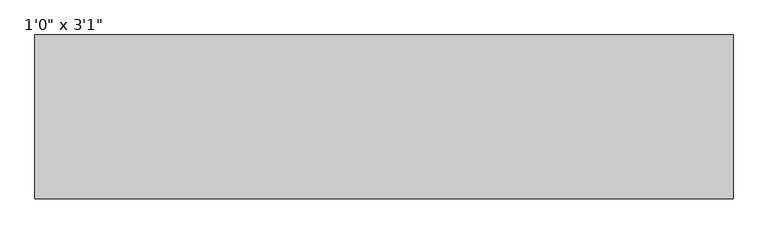
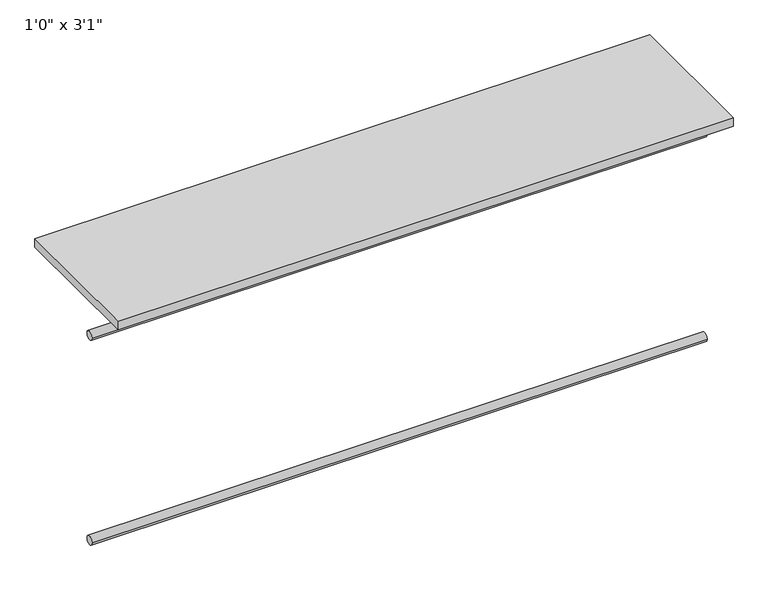
"""IFC4 building model written with IfcOpenShell, lengths in millimetres: furniture geometry."""

from ifc_helpers import new_model, si_unit, point, frame, frame_2d, origin, origin_with_axes, place, context, project, spatial, polyline, circle_curve, trimmed, segment, composite_curve, outline, extrude, source, transform, mapped, element, save


def furniture_7ad145a6(model_context):
    return source(origin(), model_context, "Body", "SweptSolid", [
        extrude(outline(composite_curve([segment(trimmed(circle_curve(frame_2d((342.9, -711.2)), 12.7), [point((330.2, -711.2))], [point((355.6, -711.2))], False, "CARTESIAN"), True, "CONTINUOUS"), segment(trimmed(circle_curve(frame_2d((342.9, -711.2)), 12.7), [point((355.6, -711.2))], [point((330.2, -711.2))], False, "CARTESIAN"), True, "CONTINUOUS")], self_intersect=False)), frame((-847.2622951, 0.0, 0.0), z_axis=(1.0, 0.0, 0.0), x_axis=(0.0, 1.0, 0.0)), (0.0, 0.0, 1.0), 1732.0),
        extrude(outline(composite_curve([segment(trimmed(circle_curve(frame_2d((342.9, -101.6)), 12.7), [point((330.2, -101.6))], [point((355.6, -101.6))], False, "CARTESIAN"), True, "CONTINUOUS"), segment(trimmed(circle_curve(frame_2d((342.9, -101.6)), 12.7), [point((355.6, -101.6))], [point((330.2, -101.6))], False, "CARTESIAN"), True, "CONTINUOUS")], self_intersect=False)), frame((-847.2622951, 0.0, 0.0), z_axis=(1.0, 0.0, 0.0), x_axis=(0.0, 1.0, 0.0)), (0.0, 0.0, 1.0), 1732.0),
        extrude(outline(polyline([(884.7377049, 203.2), (-847.2622951, 203.2), (-847.2622951, 609.6), (884.7377049, 609.6), (884.7377049, 203.2)])), origin_with_axes(), (0.0, 0.0, 1.0), 25.4),
    ])


if __name__ == "__main__":
    model = new_model("IFC4")
    model_context = context("Model", 3, world=origin())
    ifc_project = project(units=[si_unit("LENGTHUNIT", "METRE", prefix="MILLI")], contexts=[model_context])
    site = spatial("IfcSite", under=ifc_project)
    building = spatial("IfcBuilding", under=site)
    placement = place(None, origin())
    furniture_shape = furniture_7ad145a6(model_context)
    element("IfcFurniture", 1, ObjectType="1'0\" x 3'1\"", at=placement, inside=building, context=model_context, shape_type="MappedRepresentation", body=[
        mapped(furniture_shape, transform((0.0, 0.0, 0.0), x_axis=(1.0, 0.0, 0.0), y_axis=(0.0, 1.0, 0.0), z_axis=(0.0, 0.0, 1.0))),
    ])
    save(model, "model.ifc")
